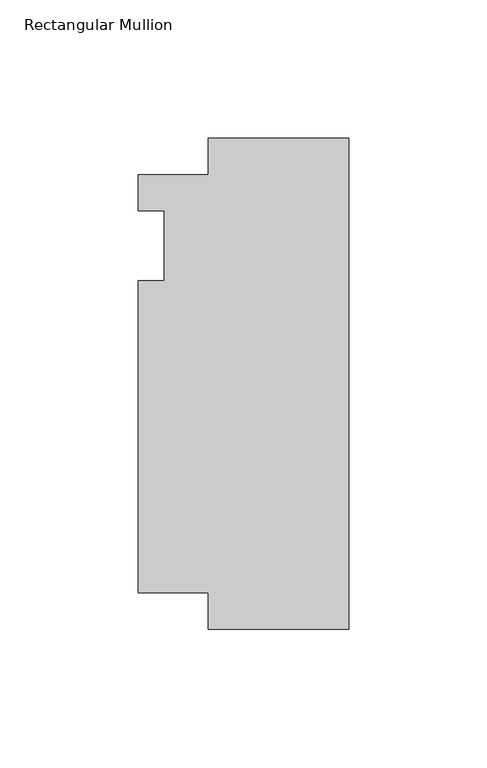
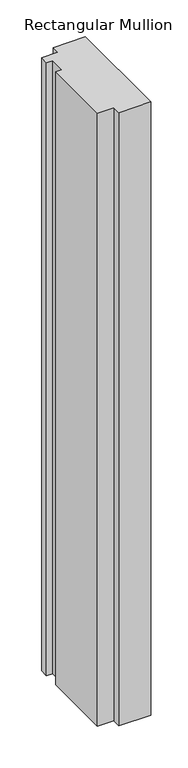
"""IFC4 building model written with IfcOpenShell, lengths in millimetres: member geometry, Rectangular Mullion."""

from ifc_helpers import new_model, si_unit, frame, origin, place, context, project, spatial, polyline, outline, extrude, source, transform, mapped, element, save


def rectangular_mullion_e73e7b6c(model_context):
    return source(origin(), model_context, "Body", "SweptSolid", [
        extrude(outline(polyline([(-76.2, 25.5984375), (-50.7746, 25.5984375), (-50.7746, 38.89375), (0.0, 38.89375), (0.0, -138.9073823), (-50.7746, -138.9073823), (-50.7746, -125.6109375), (-76.2, -125.6109375), (-76.2, -12.7), (-66.675, -12.7), (-66.675, 12.7), (-76.2, 12.7), (-76.2, 25.5984375)])), frame((0.0, 0.0, -1016.0), z_axis=(0.0, 0.0, 1.0), x_axis=(1.0, 0.0, 0.0)), (0.0, 0.0, 1.0), 1016.0),
    ])


if __name__ == "__main__":
    model = new_model("IFC4")
    model_context = context("Model", 3, world=origin())
    ifc_project = project(units=[si_unit("LENGTHUNIT", "METRE", prefix="MILLI")], contexts=[model_context])
    site = spatial("IfcSite", under=ifc_project)
    building = spatial("IfcBuilding", under=site)
    placement = place(None, origin())
    rectangular_mullion_shape = rectangular_mullion_e73e7b6c(model_context)
    element("IfcMember", 1, ObjectType="Rectangular Mullion", at=placement, inside=building, context=model_context, shape_type="MappedRepresentation", body=[
        mapped(rectangular_mullion_shape, transform((0.0, 0.0, 0.0), x_axis=(1.0, 0.0, 0.0), y_axis=(0.0, 1.0, 0.0), z_axis=(0.0, 0.0, 1.0))),
    ])
    save(model, "model.ifc")
